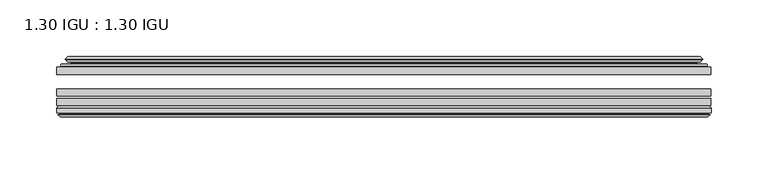
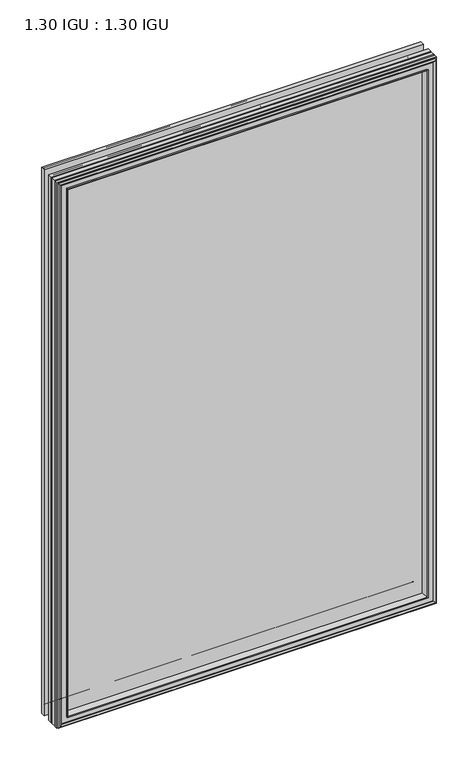
"""IFC4 building model written with IfcOpenShell, lengths in millimetres: plate geometry, 1.30 IGU : 1.30 IGU."""

from ifc_helpers import new_model, si_unit, frame, origin, place, context, project, spatial, polyline, ellipse_curve, outline, extrude, faceted_brep, source, transform, mapped, element, save
from ifc_brep_helpers import plane_surface, cylinder_surface, revolved_surface, advanced_brep


def plate_1_30_igu_1_30_igu_fa709324(model_context):
    return source(origin(), model_context, "Body", "SolidModel", [
        extrude(outline(polyline([(287.2705532, -44.92625), (287.2705532, -51.27625), (-287.3375, -51.27625), (-287.3375, -44.92625), (287.2705532, -44.92625)])), frame((0.0, 0.0, -14.2875), z_axis=(0.0, 0.0, 1.0), x_axis=(1.0, 0.0, 0.0)), (0.0, 0.0, 1.0), 873.125),
        extrude(outline(polyline([(-287.3375, -78.58125), (-287.3375, -72.23125), (287.2705532, -72.23125), (287.2705532, -78.58125), (-287.3375, -78.58125)])), frame((0.0, 0.0, -14.2875), z_axis=(0.0, 0.0, 1.0), x_axis=(1.0, 0.0, 0.0)), (0.0, 0.0, 1.0), 873.125),
        extrude(outline(polyline([(-287.3375, -70.32625), (-287.3375, -63.97625), (287.2705532, -63.97625), (287.2705532, -70.32625), (-287.3375, -70.32625)])), frame((0.0, 0.0, -14.2875), z_axis=(0.0, 0.0, 1.0), x_axis=(1.0, 0.0, 0.0)), (0.0, 0.0, 1.0), 873.125),
        advanced_brep(
        [(-269.0022902, -43.8351483, 840.5022902), (-269.4441004, -44.92625, 840.9441004), (-269.4441004, -44.92625, 3.6058996), (-269.0022902, -43.8351483, 4.0477098), (-273.05, -36.11245, 844.55), (-273.05, -36.11245, 0.0), (-278.2359109, -37.2935491, 849.7359109), (-278.2359109, -37.2935491, -5.1859109), (-277.9063356, -36.4664324, 849.4063356), (-277.9063356, -36.4664324, -4.8563356), (-277.9063356, -35.6521812, 849.4063356), (-277.9063356, -35.6521812, -4.8563356), (-279.7226111, -37.610817, 851.2226111), (-279.7226111, -37.610817, -6.6726111), (-279.7226111, -38.3239429, 851.2226111), (-279.7226111, -38.3239429, -6.6726111), (-277.9063356, -40.2727974, 849.4063356), (-277.9063356, -40.2727974, -4.8563356), (-277.9063356, -39.4683275, 849.4063356), (-277.9063356, -39.4683275, -4.8563356), (-278.2282501, -38.6604367, 849.7282501), (-278.2282501, -38.6604367, -5.1782501), (-275.7044379, -38.502045, 847.2044379), (-275.7044379, -38.502045, -2.6544379), (-274.6786217, -39.1897544, 846.1786217), (-274.6786217, -39.1897544, -1.6286217), (-274.7970288, -40.5842231, 846.2970288), (-274.7970288, -40.5842231, -1.7470288), (-275.3987748, -42.08145, 846.8987748), (-275.3987748, -42.08145, -2.3487748), (-283.3245553, -43.9898729, 854.8245553), (-282.8389245, -42.08145, 854.3389245), (-282.8389245, -42.08145, -9.7889245), (-283.3245553, -43.9898729, -10.2745553), (-281.6038155, -44.92625, 853.1038155), (-281.6038155, -44.92625, -8.5538155), (269.4441004, -44.92625, 3.6058996), (269.0022902, -43.8351483, 4.0477098), (273.05, -36.11245, 0.0), (278.2359109, -37.2935491, -5.1859109), (277.9063356, -36.4664324, -4.8563356), (277.9063356, -35.6521812, -4.8563356), (279.7226111, -37.610817, -6.6726111), (279.7226111, -38.3239429, -6.6726111), (277.9063356, -40.2727974, -4.8563356), (277.9063356, -39.4683275, -4.8563356), (278.2282501, -38.6604367, -5.1782501), (275.7044379, -38.502045, -2.6544379), (274.6786217, -39.1897544, -1.6286217), (274.7970288, -40.5842231, -1.7470288), (275.3987748, -42.08145, -2.3487748), (282.8389245, -42.08145, -9.7889245), (283.3245553, -43.9898729, -10.2745553), (281.6038155, -44.92625, -8.5538155), (269.4441004, -44.92625, 840.9441004), (269.0022902, -43.8351483, 840.5022902), (273.05, -36.11245, 844.55), (278.2359109, -37.2935491, 849.7359109), (277.9063356, -36.4664324, 849.4063356), (277.9063356, -35.6521812, 849.4063356), (279.7226111, -37.610817, 851.2226111), (279.7226111, -38.3239429, 851.2226111), (277.9063356, -40.2727974, 849.4063356), (277.9063356, -39.4683275, 849.4063356), (278.2282501, -38.6604367, 849.7282501), (275.7044379, -38.502045, 847.2044379), (274.6786217, -39.1897544, 846.1786217), (274.7970288, -40.5842231, 846.2970288), (275.3987748, -42.08145, 846.8987748), (282.8389245, -42.08145, 854.3389245), (283.3245553, -43.9898729, 854.8245553), (281.6038155, -44.92625, 853.1038155)],
        [
            (0, 1, ellipse_curve(frame((-269.4441004, -44.29125, 840.9441004), z_axis=(-0.7071067811865475, 0.0, -0.7071067811865475), x_axis=(-0.7071067811865474, 0.0, 0.7071067811865476)), 0.8980256, 0.635)),
            (1, 2),
            (2, 3, ellipse_curve(frame((-269.4441004, -44.29125, 3.6058996), z_axis=(-0.7071067811865475, 0.0, 0.7071067811865475), x_axis=(0.7071067811865474, 0.0, 0.7071067811865476)), 0.8980256, 0.635)),
            (3, 0),
            (4, 0, ellipse_curve(frame((-259.3172054, -33.8367745, 830.8172054), z_axis=(0.7071067811865475, 0.0, 0.7071067811865475), x_axis=(0.7071067811865474, 0.0, -0.7071067811865476)), 19.6859517, 13.9200699)),
            (3, 5, ellipse_curve(frame((-259.3172054, -33.8367745, 13.7327946), z_axis=(0.7071067811865475, 0.0, -0.7071067811865475), x_axis=(-0.7071067811865474, 0.0, -0.7071067811865476)), 19.6859517, 13.9200699)),
            (5, 4),
            (6, 4),
            (5, 7),
            (7, 6),
            (8, 6),
            (7, 9),
            (9, 8),
            (10, 8),
            (9, 11),
            (11, 10),
            (12, 10),
            (11, 13),
            (13, 12),
            (14, 12, ellipse_curve(frame((-279.3607729, -37.96738, 850.8607729), z_axis=(-0.7071067811865475, 0.0, -0.7071067811865475), x_axis=(-0.7071067811865474, 0.0, 0.7071067811865476)), 0.7184205, 0.508)),
            (13, 15, ellipse_curve(frame((-279.3607729, -37.96738, -6.3107729), z_axis=(-0.7071067811865475, 0.0, 0.7071067811865475), x_axis=(0.7071067811865474, 0.0, 0.7071067811865476)), 0.7184205, 0.508)),
            (15, 14),
            (16, 14),
            (15, 17),
            (17, 16),
            (18, 16),
            (17, 19),
            (19, 18),
            (20, 18),
            (19, 21),
            (21, 20),
            (22, 20),
            (21, 23),
            (23, 22),
            (24, 22, ellipse_curve(frame((-275.6408, -39.51605, 847.1408), z_axis=(0.7071067811865475, 0.0, 0.7071067811865475), x_axis=(0.7071067811865474, 0.0, -0.7071067811865476)), 1.436841, 1.016)),
            (23, 25, ellipse_curve(frame((-275.6408, -39.51605, -2.5908), z_axis=(0.7071067811865475, 0.0, -0.7071067811865475), x_axis=(-0.7071067811865474, 0.0, -0.7071067811865476)), 1.436841, 1.016)),
            (25, 24),
            (26, 24, ellipse_curve(frame((-277.0124, -39.69385, 848.5124), z_axis=(0.7071067811865475, 0.0, 0.7071067811865475), x_axis=(0.7071067811865474, 0.0, -0.7071067811865476)), 3.3765763, 2.3876)),
            (25, 27, ellipse_curve(frame((-277.0124, -39.69385, -3.9624), z_axis=(0.7071067811865475, 0.0, -0.7071067811865475), x_axis=(-0.7071067811865474, 0.0, -0.7071067811865476)), 3.3765763, 2.3876)),
            (27, 26),
            (28, 26),
            (27, 29),
            (29, 28),
            (30, 31, ellipse_curve(frame((-282.8389245, -43.09745, 854.3389245), z_axis=(-0.7071067811865475, 0.0, -0.7071067811865475), x_axis=(-0.7071067811865474, 0.0, 0.7071067811865476)), 1.436841, 1.016)),
            (31, 32),
            (32, 33, ellipse_curve(frame((-282.8389245, -43.09745, -9.7889245), z_axis=(-0.7071067811865475, 0.0, 0.7071067811865475), x_axis=(0.7071067811865474, 0.0, 0.7071067811865476)), 1.436841, 1.016)),
            (33, 30),
            (34, 30),
            (33, 35),
            (35, 34),
            (2, 36),
            (36, 37, ellipse_curve(frame((269.4441004, -44.29125, 3.6058996), z_axis=(-0.7071067811865475, 0.0, -0.7071067811865475), x_axis=(-0.7071067811865476, 0.0, 0.7071067811865474)), 0.8980256, 0.635)),
            (37, 3),
            (37, 38, ellipse_curve(frame((259.3172054, -33.8367745, 13.7327946), z_axis=(0.7071067811865475, 0.0, 0.7071067811865475), x_axis=(0.7071067811865476, 0.0, -0.7071067811865474)), 19.6859517, 13.9200699)),
            (38, 5),
            (38, 39),
            (39, 7),
            (39, 40),
            (40, 9),
            (40, 41),
            (41, 11),
            (41, 42),
            (42, 13),
            (42, 43, ellipse_curve(frame((279.3607729, -37.96738, -6.3107729), z_axis=(-0.7071067811865475, 0.0, -0.7071067811865475), x_axis=(-0.7071067811865476, 0.0, 0.7071067811865474)), 0.7184205, 0.508)),
            (43, 15),
            (43, 44),
            (44, 17),
            (44, 45),
            (45, 19),
            (45, 46),
            (46, 21),
            (46, 47),
            (47, 23),
            (47, 48, ellipse_curve(frame((275.6408, -39.51605, -2.5908), z_axis=(0.7071067811865475, 0.0, 0.7071067811865475), x_axis=(0.7071067811865476, 0.0, -0.7071067811865474)), 1.436841, 1.016)),
            (48, 25),
            (48, 49, ellipse_curve(frame((277.0124, -39.69385, -3.9624), z_axis=(0.7071067811865475, 0.0, 0.7071067811865475), x_axis=(0.7071067811865476, 0.0, -0.7071067811865474)), 3.3765763, 2.3876)),
            (49, 27),
            (49, 50),
            (50, 29),
            (32, 51),
            (51, 52, ellipse_curve(frame((282.8389245, -43.09745, -9.7889245), z_axis=(-0.7071067811865475, 0.0, -0.7071067811865475), x_axis=(-0.7071067811865476, 0.0, 0.7071067811865474)), 1.436841, 1.016)),
            (52, 33),
            (52, 53),
            (53, 35),
            (36, 54),
            (54, 55, ellipse_curve(frame((269.4441004, -44.29125, 840.9441004), z_axis=(0.7071067811865475, 0.0, -0.7071067811865475), x_axis=(-0.7071067811865474, 0.0, -0.7071067811865476)), 0.8980256, 0.635)),
            (55, 37),
            (55, 56, ellipse_curve(frame((259.3172054, -33.8367745, 830.8172054), z_axis=(-0.7071067811865475, 0.0, 0.7071067811865475), x_axis=(0.7071067811865474, 0.0, 0.7071067811865476)), 19.6859517, 13.9200699)),
            (56, 38),
            (56, 57),
            (57, 39),
            (57, 58),
            (58, 40),
            (58, 59),
            (59, 41),
            (59, 60),
            (60, 42),
            (60, 61, ellipse_curve(frame((279.3607729, -37.96738, 850.8607729), z_axis=(0.7071067811865475, 0.0, -0.7071067811865475), x_axis=(-0.7071067811865474, 0.0, -0.7071067811865476)), 0.7184205, 0.508)),
            (61, 43),
            (61, 62),
            (62, 44),
            (62, 63),
            (63, 45),
            (63, 64),
            (64, 46),
            (64, 65),
            (65, 47),
            (65, 66, ellipse_curve(frame((275.6408, -39.51605, 847.1408), z_axis=(-0.7071067811865475, 0.0, 0.7071067811865475), x_axis=(0.7071067811865474, 0.0, 0.7071067811865476)), 1.436841, 1.016)),
            (66, 48),
            (66, 67, ellipse_curve(frame((277.0124, -39.69385, 848.5124), z_axis=(-0.7071067811865475, 0.0, 0.7071067811865475), x_axis=(0.7071067811865474, 0.0, 0.7071067811865476)), 3.3765763, 2.3876)),
            (67, 49),
            (67, 68),
            (68, 50),
            (51, 69),
            (69, 70, ellipse_curve(frame((282.8389245, -43.09745, 854.3389245), z_axis=(0.7071067811865475, 0.0, -0.7071067811865475), x_axis=(-0.7071067811865474, 0.0, -0.7071067811865476)), 1.436841, 1.016)),
            (70, 52),
            (70, 71),
            (71, 53),
            (54, 1),
            (0, 55),
            (4, 56),
            (6, 57),
            (8, 58),
            (10, 59),
            (12, 60),
            (14, 61),
            (16, 62),
            (18, 63),
            (20, 64),
            (22, 65),
            (24, 66),
            (26, 67),
            (28, 68),
            (31, 69),
            (30, 70),
            (34, 71),
        ],
        [
            cylinder_surface(frame((-269.4441004, -44.29125, 876.3), z_axis=(0.0, 0.0, 1.0), x_axis=(-1.0, 0.0, 0.0)), 0.635),
            revolved_surface(polyline([(-273.23727529999996, -33.8367745, -0.18727534118079348), (-273.23727529999996, -33.8367745, 844.7372753411809)]), (-259.3172054, -33.8367745, 876.3), (0.0, 0.0, -1.0)),
            plane_surface(frame((-273.05, -36.11245, 844.55), z_axis=(-0.2220649844277866, 0.975031867525922, 0.0), x_axis=(0.0, 0.0, -1.0))),
            plane_surface(frame((-278.2359109, -37.2935491, 849.7359109), z_axis=(0.9289682685629922, -0.3701593656833182, 0.0), x_axis=(0.0, 0.0, -1.0))),
            plane_surface(frame((-277.9063356, -36.4664324, 849.4063356), z_axis=(1.0, 0.0, 0.0), x_axis=(0.0, 0.0, -1.0))),
            plane_surface(frame((-277.9063356, -35.6521812, 849.4063356), z_axis=(-0.7332521292723956, 0.6799568478348447, 0.0), x_axis=(0.0, 0.0, -1.0))),
            cylinder_surface(frame((-279.3607729, -37.96738, 876.3), z_axis=(0.0, 0.0, 1.0), x_axis=(-1.0, 0.0, 0.0)), 0.508),
            plane_surface(frame((-279.7226111, -38.3239429, 851.2226111), z_axis=(-0.7315522693036389, -0.6817853601220082, 0.0), x_axis=(0.0, 0.0, -1.0))),
            plane_surface(frame((-277.9063356, -40.2727974, 849.4063356), z_axis=(1.0, 0.0, 0.0), x_axis=(0.0, 0.0, -1.0))),
            plane_surface(frame((-277.9063356, -39.4683275, 849.4063356), z_axis=(0.9289682685631103, 0.37015936568302166, 0.0), x_axis=(0.0, 0.0, -1.0))),
            plane_surface(frame((-278.2282501, -38.6604367, 849.7282501), z_axis=(0.06263570119321646, -0.9980364567169048, 0.0), x_axis=(0.0, 0.0, -1.0))),
            revolved_surface(polyline([(-276.65680000000003, -39.51605, -3.606800014586838), (-276.65680000000003, -39.51605, 848.1568000145869)]), (-275.6408, -39.51605, 876.3), (0.0, 0.0, -1.0)),
            revolved_surface(polyline([(-279.40000000000003, -39.69385, -6.3499999989237494), (-279.40000000000003, -39.69385, 850.8999999989237)]), (-277.0124, -39.69385, 876.3), (0.0, 0.0, -1.0)),
            plane_surface(frame((-274.7970288, -40.5842231, 846.2970288), z_axis=(-0.9278652925428912, 0.372915538553028, 0.0), x_axis=(0.0, 0.0, -1.0))),
            cylinder_surface(frame((-282.8389245, -43.09745, 876.3), z_axis=(0.0, 0.0, 1.0), x_axis=(-1.0, 0.0, 0.0)), 1.016),
            plane_surface(frame((-283.3245553, -43.9898729, 854.8245553), z_axis=(-0.477983117370979, -0.8783690223979447, 0.0), x_axis=(0.0, 0.0, -1.0))),
            cylinder_surface(frame((-304.8, -44.29125, 3.6058996), z_axis=(-1.0, 0.0, 0.0), x_axis=(0.0, 0.0, -1.0)), 0.635),
            revolved_surface(polyline([(273.2372753411808, -33.8367745, -0.1872752999999996), (-273.2372753411808, -33.8367745, -0.1872752999999996)]), (-304.8, -33.8367745, 13.7327946), (1.0, 0.0, 0.0)),
            plane_surface(frame((-273.05, -36.11245, 0.0), z_axis=(0.0, 0.9750318675259213, -0.22206498442778974), x_axis=(1.0, 0.0, 0.0))),
            plane_surface(frame((-278.2359109, -37.2935491, -5.1859109), z_axis=(0.0, -0.3701593656833152, 0.9289682685629934), x_axis=(1.0, 0.0, 0.0))),
            plane_surface(frame((-277.9063356, -36.4664324, -4.8563356), z_axis=(0.0, 0.0, 1.0), x_axis=(1.0, 0.0, 0.0))),
            plane_surface(frame((-277.9063356, -35.6521812, -4.8563356), z_axis=(0.0, 0.6799568478348423, -0.7332521292723978), x_axis=(1.0, 0.0, 0.0))),
            cylinder_surface(frame((-304.8, -37.96738, -6.3107729), z_axis=(-1.0, 0.0, 0.0), x_axis=(0.0, 0.0, -1.0)), 0.508),
            plane_surface(frame((-279.7226111, -38.3239429, -6.6726111), z_axis=(0.0, -0.6817853601220105, -0.7315522693036367), x_axis=(1.0, 0.0, 0.0))),
            plane_surface(frame((-277.9063356, -40.2727974, -4.8563356), z_axis=(0.0, 0.0, 1.0), x_axis=(1.0, 0.0, 0.0))),
            plane_surface(frame((-277.9063356, -39.4683275, -4.8563356), z_axis=(0.0, 0.37015936568302465, 0.9289682685631091), x_axis=(1.0, 0.0, 0.0))),
            plane_surface(frame((-278.2282501, -38.6604367, -5.1782501), z_axis=(0.0, -0.9980364567169046, 0.06263570119321968), x_axis=(1.0, 0.0, 0.0))),
            revolved_surface(polyline([(276.65680001458696, -39.51605, -3.6068000000000002), (-276.65680001458685, -39.51605, -3.6068000000000002)]), (-304.8, -39.51605, -2.5908), (1.0, 0.0, 0.0)),
            revolved_surface(polyline([(279.39999999892376, -39.69385, -6.35), (-279.3999999989238, -39.69385, -6.35)]), (-304.8, -39.69385, -3.9624), (1.0, 0.0, 0.0)),
            plane_surface(frame((-274.7970288, -40.5842231, -1.7470288), z_axis=(0.0, 0.372915538553025, -0.9278652925428924), x_axis=(1.0, 0.0, 0.0))),
            cylinder_surface(frame((-304.8, -43.09745, -9.7889245), z_axis=(-1.0, 0.0, 0.0), x_axis=(0.0, 0.0, -1.0)), 1.016),
            plane_surface(frame((-283.3245553, -43.9898729, -10.2745553), z_axis=(0.0, -0.8783690223979462, -0.47798311737097615), x_axis=(1.0, 0.0, 0.0))),
            cylinder_surface(frame((269.4441004, -44.29125, -31.75), z_axis=(0.0, 0.0, -1.0), x_axis=(1.0, 0.0, 0.0)), 0.635),
            revolved_surface(polyline([(273.23727529999996, -33.8367745, 844.7372753411809), (273.23727529999996, -33.8367745, -0.1872753411808432)]), (259.3172054, -33.8367745, -31.75), (0.0, 0.0, 1.0)),
            plane_surface(frame((273.05, -36.11245, 0.0), z_axis=(0.22206498442779285, 0.9750318675259205, 0.0), x_axis=(0.0, 0.0, 1.0))),
            plane_surface(frame((278.2359109, -37.2935491, -5.1859109), z_axis=(-0.9289682685629946, -0.3701593656833122, 0.0), x_axis=(0.0, 0.0, 1.0))),
            plane_surface(frame((277.9063356, -36.4664324, -4.8563356), z_axis=(-1.0, 0.0, 0.0), x_axis=(0.0, 0.0, 1.0))),
            plane_surface(frame((277.9063356, -35.6521812, -4.8563356), z_axis=(0.7332521292724, 0.67995684783484, 0.0), x_axis=(0.0, 0.0, 1.0))),
            cylinder_surface(frame((279.3607729, -37.96738, -31.75), z_axis=(0.0, 0.0, -1.0), x_axis=(1.0, 0.0, 0.0)), 0.508),
            plane_surface(frame((279.7226111, -38.3239429, -6.6726111), z_axis=(0.7315522693036345, -0.6817853601220129, 0.0), x_axis=(0.0, 0.0, 1.0))),
            plane_surface(frame((277.9063356, -40.2727974, -4.8563356), z_axis=(-1.0, 0.0, 0.0), x_axis=(0.0, 0.0, 1.0))),
            plane_surface(frame((277.9063356, -39.4683275, -4.8563356), z_axis=(-0.928968268563108, 0.3701593656830277, 0.0), x_axis=(0.0, 0.0, 1.0))),
            plane_surface(frame((278.2282501, -38.6604367, -5.1782501), z_axis=(-0.0626357011932229, -0.9980364567169043, 0.0), x_axis=(0.0, 0.0, 1.0))),
            revolved_surface(polyline([(276.65680000000003, -39.51605, 848.1568000145869), (276.65680000000003, -39.51605, -3.606800014586863)]), (275.6408, -39.51605, -31.75), (0.0, 0.0, 1.0)),
            revolved_surface(polyline([(279.40000000000003, -39.69385, 850.8999999989237), (279.40000000000003, -39.69385, -6.349999998923781)]), (277.0124, -39.69385, -31.75), (0.0, 0.0, 1.0)),
            plane_surface(frame((274.7970288, -40.5842231, -1.7470288), z_axis=(0.9278652925428936, 0.372915538553022, 0.0), x_axis=(0.0, 0.0, 1.0))),
            cylinder_surface(frame((282.8389245, -43.09745, -31.75), z_axis=(0.0, 0.0, -1.0), x_axis=(1.0, 0.0, 0.0)), 1.016),
            plane_surface(frame((283.3245553, -43.9898729, -10.2745553), z_axis=(0.4779831173709733, -0.8783690223979478, 0.0), x_axis=(0.0, 0.0, 1.0))),
            cylinder_surface(frame((304.8, -44.29125, 840.9441004), z_axis=(1.0, 0.0, 0.0), x_axis=(0.0, 0.0, 1.0)), 0.635),
            revolved_surface(polyline([(-273.2372753411808, -33.8367745, 844.7372753000001), (273.2372753411808, -33.8367745, 844.7372753000001)]), (304.8, -33.8367745, 830.8172054), (-1.0, 0.0, 0.0)),
            plane_surface(frame((273.05, -36.11245, 844.55), z_axis=(0.0, 0.9750318675259212, 0.2220649844277897), x_axis=(-1.0, 0.0, 0.0))),
            plane_surface(frame((278.2359109, -37.2935491, 849.7359109), z_axis=(0.0, -0.3701593656833152, -0.9289682685629934), x_axis=(-1.0, 0.0, 0.0))),
            plane_surface(frame((277.9063356, -36.4664324, 849.4063356), z_axis=(0.0, 0.0, -1.0), x_axis=(-1.0, 0.0, 0.0))),
            plane_surface(frame((277.9063356, -35.6521812, 849.4063356), z_axis=(0.0, 0.6799568478348423, 0.7332521292723978), x_axis=(-1.0, 0.0, 0.0))),
            cylinder_surface(frame((304.8, -37.96738, 850.8607729), z_axis=(1.0, 0.0, 0.0), x_axis=(0.0, 0.0, 1.0)), 0.508),
            plane_surface(frame((279.7226111, -38.3239429, 851.2226111), z_axis=(0.0, -0.6817853601220105, 0.7315522693036367), x_axis=(-1.0, 0.0, 0.0))),
            plane_surface(frame((277.9063356, -40.2727974, 849.4063356), z_axis=(0.0, 0.0, -1.0), x_axis=(-1.0, 0.0, 0.0))),
            plane_surface(frame((277.9063356, -39.4683275, 849.4063356), z_axis=(0.0, 0.3701593656830247, -0.9289682685631092), x_axis=(-1.0, 0.0, 0.0))),
            plane_surface(frame((278.2282501, -38.6604367, 849.7282501), z_axis=(0.0, -0.9980364567169046, -0.06263570119321968), x_axis=(-1.0, 0.0, 0.0))),
            revolved_surface(polyline([(-276.65680001458696, -39.51605, 848.1568), (276.65680001458685, -39.51605, 848.1568)]), (304.8, -39.51605, 847.1408), (-1.0, 0.0, 0.0)),
            revolved_surface(polyline([(-279.39999999892376, -39.69385, 850.9), (279.3999999989238, -39.69385, 850.9)]), (304.8, -39.69385, 848.5124), (-1.0, 0.0, 0.0)),
            plane_surface(frame((274.7970288, -40.5842231, 846.2970288), z_axis=(0.0, 0.372915538553025, 0.9278652925428924), x_axis=(-1.0, 0.0, 0.0))),
            plane_surface(frame((275.3987748, -42.08145, 846.8987748), z_axis=(0.0, 1.0, 0.0), x_axis=(-1.0, 0.0, 0.0))),
            cylinder_surface(frame((304.8, -43.09745, 854.3389245), z_axis=(1.0, 0.0, 0.0), x_axis=(0.0, 0.0, 1.0)), 1.016),
            plane_surface(frame((283.3245553, -43.9898729, 854.8245553), z_axis=(0.0, -0.8783690223979462, 0.47798311737097615), x_axis=(-1.0, 0.0, 0.0))),
            plane_surface(frame((281.6038155, -44.92625, 853.1038155), z_axis=(0.0, -1.0, 0.0), x_axis=(-1.0, 0.0, 0.0))),
        ],
        [
            (0, [[1, 2, 3, 4]]),
            (1, [[5, -4, 6, 7]]),
            (2, [[8, -7, 9, 10]]),
            (3, [[11, -10, 12, 13]]),
            (4, [[14, -13, 15, 16]]),
            (5, [[17, -16, 18, 19]]),
            (6, [[20, -19, 21, 22]]),
            (7, [[23, -22, 24, 25]]),
            (8, [[26, -25, 27, 28]]),
            (9, [[29, -28, 30, 31]]),
            (10, [[32, -31, 33, 34]]),
            (11, [[35, -34, 36, 37]]),
            (12, [[38, -37, 39, 40]]),
            (13, [[41, -40, 42, 43]]),
            (14, [[44, 45, 46, 47]]),
            (15, [[48, -47, 49, 50]]),
            (16, [[-3, 51, 52, 53]]),
            (17, [[-6, -53, 54, 55]]),
            (18, [[-9, -55, 56, 57]]),
            (19, [[-12, -57, 58, 59]]),
            (20, [[-15, -59, 60, 61]]),
            (21, [[-18, -61, 62, 63]]),
            (22, [[-21, -63, 64, 65]]),
            (23, [[-24, -65, 66, 67]]),
            (24, [[-27, -67, 68, 69]]),
            (25, [[-30, -69, 70, 71]]),
            (26, [[-33, -71, 72, 73]]),
            (27, [[-36, -73, 74, 75]]),
            (28, [[-39, -75, 76, 77]]),
            (29, [[-42, -77, 78, 79]]),
            (30, [[-46, 80, 81, 82]]),
            (31, [[-49, -82, 83, 84]]),
            (32, [[-52, 85, 86, 87]]),
            (33, [[-54, -87, 88, 89]]),
            (34, [[-56, -89, 90, 91]]),
            (35, [[-58, -91, 92, 93]]),
            (36, [[-60, -93, 94, 95]]),
            (37, [[-62, -95, 96, 97]]),
            (38, [[-64, -97, 98, 99]]),
            (39, [[-66, -99, 100, 101]]),
            (40, [[-68, -101, 102, 103]]),
            (41, [[-70, -103, 104, 105]]),
            (42, [[-72, -105, 106, 107]]),
            (43, [[-74, -107, 108, 109]]),
            (44, [[-76, -109, 110, 111]]),
            (45, [[-78, -111, 112, 113]]),
            (46, [[-81, 114, 115, 116]]),
            (47, [[-83, -116, 117, 118]]),
            (48, [[-86, 119, -1, 120]]),
            (49, [[-88, -120, -5, 121]]),
            (50, [[-90, -121, -8, 122]]),
            (51, [[-92, -122, -11, 123]]),
            (52, [[-94, -123, -14, 124]]),
            (53, [[-96, -124, -17, 125]]),
            (54, [[-98, -125, -20, 126]]),
            (55, [[-100, -126, -23, 127]]),
            (56, [[-102, -127, -26, 128]]),
            (57, [[-104, -128, -29, 129]]),
            (58, [[-106, -129, -32, 130]]),
            (59, [[-108, -130, -35, 131]]),
            (60, [[-110, -131, -38, 132]]),
            (61, [[-112, -132, -41, 133]]),
            (62, [[134, -114, -80, -45], [-79, -113, -133, -43]]),
            (63, [[-115, -134, -44, 135]]),
            (64, [[-117, -135, -48, 136]]),
            (65, [[-84, -118, -136, -50], [-119, -85, -51, -2]]),
        ],
    ),
        faceted_brep([(-269.1957827, -78.58125, 840.6957827), (-271.7620798, -87.47125, 843.2620798), (-271.7620798, -87.47125, 1.2879202), (-269.1957827, -78.58125, 3.8542173), (-287.3502, -80.7883102, 858.8502), (-285.1431398, -78.58125, 856.6431398), (-285.1431398, -78.58125, -12.0931398), (-287.3502, -80.7883102, -14.3002), (-287.3502, -84.93125, 858.8502), (-287.3502, -84.93125, -14.3002), (-284.9311775, -86.11489, 856.4311775), (-285.7703682, -84.93125, 857.2703682), (-285.7703682, -84.93125, -12.7203682), (-284.9311775, -86.11489, -11.8811775), (-284.734, -87.4125884, 856.234), (-284.734, -87.4125884, -11.684), (-285.70966, -86.8828917, 857.20966), (-285.70966, -86.8828917, -12.65966), (-284.1752, -88.6999663, 855.6752), (-286.5023305, -86.8828917, 858.0023305), (-286.5023305, -86.8828917, -13.4523305), (-284.1752, -88.6999663, -11.1252), (-281.8480695, -86.8828917, 853.3480695), (-281.8480695, -86.8828917, -8.7980695), (-283.6164, -87.4125884, 855.1164), (-282.64074, -86.8828917, 854.14074), (-282.64074, -86.8828917, -9.59074), (-283.6164, -87.4125884, -10.5664), (-283.4192225, -86.11489, 854.9192225), (-283.4192225, -86.11489, -10.3692225), (-282.5496, -84.93125, 854.0496), (-282.5496, -84.93125, -9.4996), (-273.4013667, -87.47125, 844.9013667), (-272.8722, -84.93125, 844.3722), (-272.8722, -84.93125, 0.1778), (-273.4013667, -87.47125, -0.3513667), (271.7620798, -87.47125, 1.2879202), (269.1957827, -78.58125, 3.8542173), (285.1431398, -78.58125, -12.0931398), (287.3502, -80.7883102, -14.3002), (287.3502, -84.93125, -14.3002), (285.7703682, -84.93125, -12.7203682), (284.9311775, -86.11489, -11.8811775), (284.734, -87.4125884, -11.684), (285.70966, -86.8828917, -12.65966), (286.5023305, -86.8828917, -13.4523305), (284.1752, -88.6999663, -11.1252), (281.8480695, -86.8828917, -8.7980695), (282.64074, -86.8828917, -9.59074), (283.6164, -87.4125884, -10.5664), (283.4192225, -86.11489, -10.3692225), (282.5496, -84.93125, -9.4996), (272.8722, -84.93125, 0.1778), (273.4013667, -87.47125, -0.3513667), (271.7620798, -87.47125, 843.2620798), (269.1957827, -78.58125, 840.6957827), (285.1431398, -78.58125, 856.6431398), (287.3502, -80.7883102, 858.8502), (287.3502, -84.93125, 858.8502), (285.7703682, -84.93125, 857.2703682), (284.9311775, -86.11489, 856.4311775), (284.734, -87.4125884, 856.234), (285.70966, -86.8828917, 857.20966), (286.5023305, -86.8828917, 858.0023305), (284.1752, -88.6999663, 855.6752), (281.8480695, -86.8828917, 853.3480695), (282.64074, -86.8828917, 854.14074), (283.6164, -87.4125884, 855.1164), (283.4192225, -86.11489, 854.9192225), (282.5496, -84.93125, 854.0496), (272.8722, -84.93125, 844.3722), (273.4013667, -87.47125, 844.9013667)], [[[0, 1, 2, 3]], [[4, 5, 6, 7]], [[8, 4, 7, 9]], [[10, 11, 12, 13]], [[14, 10, 13, 15]], [[16, 14, 15, 17]], [[18, 19, 20, 21]], [[22, 18, 21, 23]], [[24, 25, 26, 27]], [[28, 24, 27, 29]], [[30, 28, 29, 31]], [[32, 33, 34, 35]], [[3, 2, 36, 37]], [[7, 6, 38, 39]], [[9, 7, 39, 40]], [[13, 12, 41, 42]], [[15, 13, 42, 43]], [[17, 15, 43, 44]], [[21, 20, 45, 46]], [[23, 21, 46, 47]], [[27, 26, 48, 49]], [[29, 27, 49, 50]], [[31, 29, 50, 51]], [[35, 34, 52, 53]], [[37, 36, 54, 55]], [[39, 38, 56, 57]], [[40, 39, 57, 58]], [[42, 41, 59, 60]], [[43, 42, 60, 61]], [[44, 43, 61, 62]], [[46, 45, 63, 64]], [[47, 46, 64, 65]], [[49, 48, 66, 67]], [[50, 49, 67, 68]], [[51, 50, 68, 69]], [[53, 52, 70, 71]], [[55, 54, 1, 0]], [[5, 56, 38, 6], [3, 37, 55, 0]], [[57, 56, 5, 4]], [[58, 57, 4, 8]], [[9, 40, 58, 8], [11, 59, 41, 12]], [[60, 59, 11, 10]], [[61, 60, 10, 14]], [[62, 61, 14, 16]], [[19, 63, 45, 20], [17, 44, 62, 16]], [[64, 63, 19, 18]], [[65, 64, 18, 22]], [[25, 66, 48, 26], [23, 47, 65, 22]], [[67, 66, 25, 24]], [[68, 67, 24, 28]], [[69, 68, 28, 30]], [[31, 51, 69, 30], [33, 70, 52, 34]], [[71, 70, 33, 32]], [[35, 53, 71, 32], [1, 54, 36, 2]]]),
    ])


if __name__ == "__main__":
    model = new_model("IFC4")
    model_context = context("Model", 3, world=origin())
    ifc_project = project(units=[si_unit("LENGTHUNIT", "METRE", prefix="MILLI")], contexts=[model_context])
    site = spatial("IfcSite", under=ifc_project)
    building = spatial("IfcBuilding", under=site)
    placement = place(None, origin())
    plate_1_30_igu_1_30_igu_shape = plate_1_30_igu_1_30_igu_fa709324(model_context)
    element("IfcPlate", 1, ObjectType="1.30 IGU : 1.30 IGU", at=placement, inside=building, context=model_context, shape_type="MappedRepresentation", body=[
        mapped(plate_1_30_igu_1_30_igu_shape, transform((0.0, 0.0, 0.0), x_axis=(1.0, 0.0, 0.0), y_axis=(0.0, 1.0, 0.0), z_axis=(0.0, 0.0, 1.0))),
    ])
    save(model, "model.ifc")
